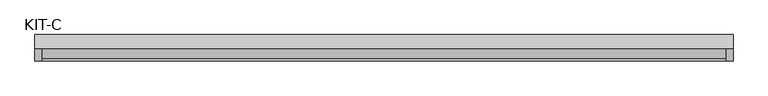
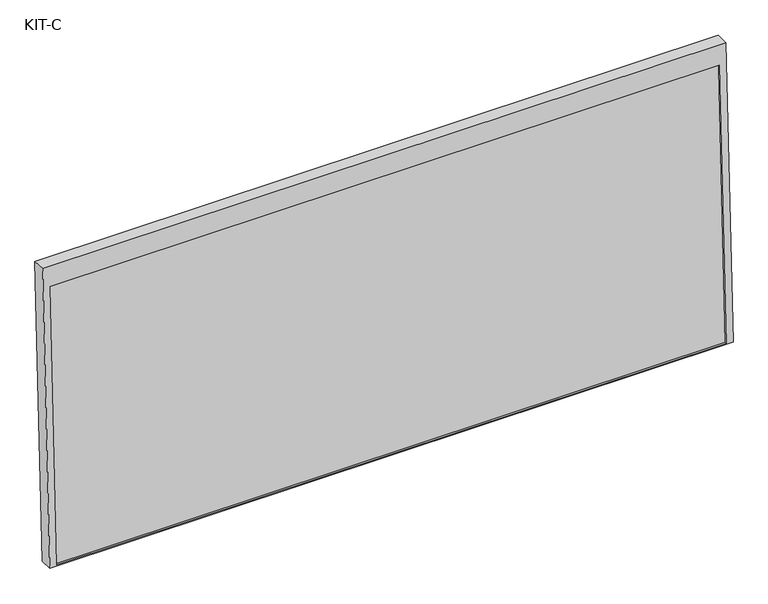
"""IFC4 building model written with IfcOpenShell, lengths in millimetres: plate geometry, KIT-C."""

from ifc_helpers import new_model, si_unit, frame, origin, place, context, project, spatial, polyline, outline, extrude, source, transform, mapped, element, save


def kit_c_90b7a893(model_context):
    return source(origin(), model_context, "Body", "SweptSolid", [
        extrude(outline(polyline([(0.0, -1754.0), (0.0, 0.0), (27.4505713, 0.0), (27.4505713, -1754.0), (0.0, -1754.0)])), frame((-877.0, -68.910687, -49.0767088), z_axis=(0.0, 0.03973683410233643, 0.9992101801000245), x_axis=(0.0, 0.9992101801000245, -0.03973683410233643)), (0.0, 0.0, 1.0), 753.6315929),
        extrude(outline(polyline([(0.0, 0.0), (0.0, -1791.0), (-812.1, -1791.0), (-812.1, 0.0), (0.0, 0.0)]), holes=[polyline([(-55.0000001, -18.5), (-808.6315929, -18.5), (-808.6315929, -1772.5), (-55.0000001, -1772.5), (-55.0000001, -18.5)])]), frame((-895.5, -6.8019221, 757.7241058), z_axis=(0.0, -0.9992101801000246, 0.039736834102334216), x_axis=(0.0, 0.039736834102334216, 0.9992101801000246)), (0.0, 0.0, 1.0), 35.0),
    ])


if __name__ == "__main__":
    model = new_model("IFC4")
    model_context = context("Model", 3, world=origin())
    ifc_project = project(units=[si_unit("LENGTHUNIT", "METRE", prefix="MILLI")], contexts=[model_context])
    site = spatial("IfcSite", under=ifc_project)
    building = spatial("IfcBuilding", under=site)
    placement = place(None, origin())
    kit_c_shape = kit_c_90b7a893(model_context)
    element("IfcPlate", 1, ObjectType="KIT-C", at=placement, inside=building, context=model_context, shape_type="MappedRepresentation", body=[
        mapped(kit_c_shape, transform((0.0, 0.0, 0.0), x_axis=(1.0, 0.0, 0.0), y_axis=(0.0, 1.0, 0.0), z_axis=(0.0, 0.0, 1.0))),
    ])
    save(model, "model.ifc")
